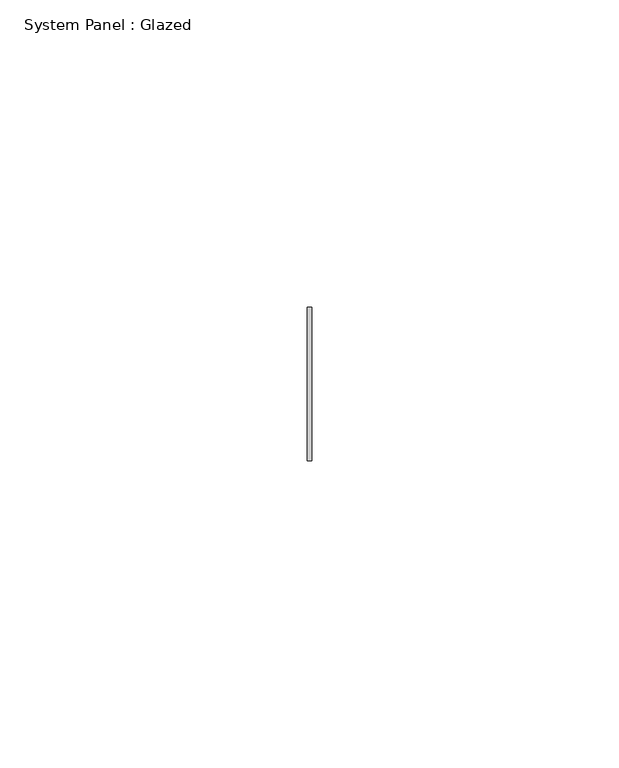
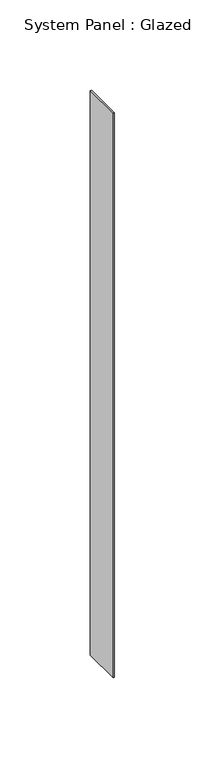
"""IFC4 building model written with IfcOpenShell, lengths in millimetres: plate geometry, System Panel : Glazed."""

from ifc_helpers import new_model, si_unit, origin, origin_with_axes, place, context, project, spatial, polyline, outline, extrude, source, transform, mapped, element, save


def system_panel_glazed_678fac30(model_context):
    return source(origin(), model_context, "Body", "SweptSolid", [
        extrude(outline(polyline([(0.3999998, 24.5), (-0.3999998, 24.5), (-0.3999998, 49.5), (0.3999998, 49.5), (0.3999998, 24.5)])), origin_with_axes(), (0.0, 0.0, 1.0), 381.0),
    ])


if __name__ == "__main__":
    model = new_model("IFC4")
    model_context = context("Model", 3, world=origin())
    ifc_project = project(units=[si_unit("LENGTHUNIT", "METRE", prefix="MILLI")], contexts=[model_context])
    site = spatial("IfcSite", under=ifc_project)
    building = spatial("IfcBuilding", under=site)
    placement = place(None, origin())
    system_panel_glazed_shape = system_panel_glazed_678fac30(model_context)
    element("IfcPlate", 1, ObjectType="System Panel : Glazed", at=placement, inside=building, context=model_context, shape_type="MappedRepresentation", body=[
        mapped(system_panel_glazed_shape, transform((0.0, 0.0, 0.0), x_axis=(1.0, 0.0, 0.0), y_axis=(0.0, 1.0, 0.0), z_axis=(0.0, 0.0, 1.0))),
    ])
    save(model, "model.ifc")
